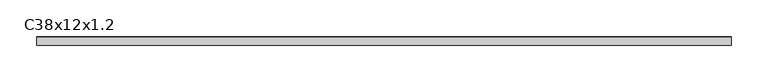
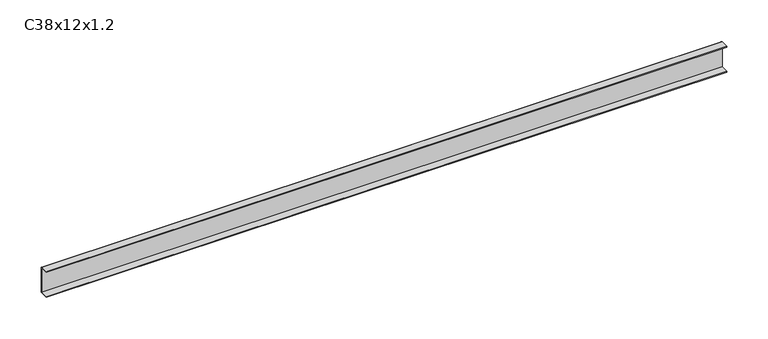
"""IFC4 building model written with IfcOpenShell, lengths in millimetres: proxy geometry, C38x12x1.2."""

from ifc_helpers import new_model, si_unit, point, frame, frame_2d, origin, place, context, project, spatial, polyline, circle_curve, trimmed, segment, composite_curve, outline, extrude, source, transform, mapped, element, save


def c38x12x1_2_4faaebca(model_context):
    return source(origin(), model_context, "Body", "SweptSolid", [
        extrude(outline(composite_curve([segment(polyline([(-6.0, 36.8), (-6.0, 38.0), (4.8, 38.0)]), True, "CONTINUOUS"), segment(trimmed(circle_curve(frame_2d((4.8, 36.8)), 1.2), [point((4.8, 38.0))], [point((6.0, 36.8))], False, "CARTESIAN"), True, "CONTINUOUS"), segment(polyline([(6.0, 36.8), (6.0, 1.2)]), True, "CONTINUOUS"), segment(trimmed(circle_curve(frame_2d((4.8, 1.2)), 1.2), [point((6.0, 1.2))], [point((4.8, 0.0))], False, "CARTESIAN"), True, "CONTINUOUS"), segment(polyline([(4.8, 0.0), (-6.0, 0.0), (-6.0, 1.2), (4.8, 1.2), (4.8, 36.8), (-6.0, 36.8)]), True, "CONTINUOUS")], self_intersect=False)), frame((0.0, 0.0, 0.0), z_axis=(1.0, 0.0, 0.0), x_axis=(0.0, 1.0, 0.0)), (0.0, 0.0, 1.0), 950.0),
    ])


if __name__ == "__main__":
    model = new_model("IFC4")
    model_context = context("Model", 3, world=origin())
    ifc_project = project(units=[si_unit("LENGTHUNIT", "METRE", prefix="MILLI")], contexts=[model_context])
    site = spatial("IfcSite", under=ifc_project)
    building = spatial("IfcBuilding", under=site)
    placement = place(None, origin())
    c38x12x1_2_shape = c38x12x1_2_4faaebca(model_context)
    element("IfcBuildingElementProxy", 1, Name="C38x12x1.2", ObjectType="C38x12x1.2", at=placement, inside=building, context=model_context, shape_type="MappedRepresentation", body=[
        mapped(c38x12x1_2_shape, transform((0.0, 0.0, 0.0), x_axis=(1.0, 0.0, 0.0), y_axis=(0.0, 1.0, 0.0), z_axis=(0.0, 0.0, 1.0))),
    ])
    save(model, "model.ifc")
